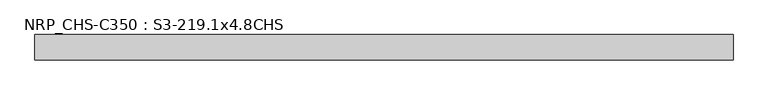
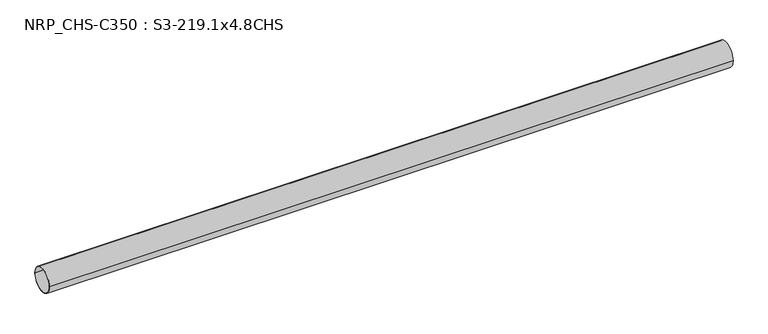
"""IFC4 building model written with IfcOpenShell, lengths in millimetres: beam geometry, NRP_CHS-C350 : S3-219.1x4.8CHS."""

from ifc_helpers import new_model, si_unit, point, frame, origin, origin_2d, place, context, project, spatial, circle_curve, trimmed, segment, composite_curve, outline, extrude, source, transform, mapped, element, save


def nrp_chs_c350_s3_219_1x4_8chs_5603bd57(model_context):
    return source(origin(), model_context, "Body", "SweptSolid", [
        extrude(outline(composite_curve([segment(trimmed(circle_curve(origin_2d(), 109.55), [point((109.55, 0.0))], [point((-109.55, 0.0))], False, "CARTESIAN"), True, "CONTINUOUS"), segment(trimmed(circle_curve(origin_2d(), 109.55), [point((-109.55, 0.0))], [point((109.55, 0.0))], False, "CARTESIAN"), True, "CONTINUOUS")], self_intersect=False), holes=[composite_curve([segment(trimmed(circle_curve(origin_2d(), 104.75), [point((-104.75, 0.0))], [point((104.75, 0.0))], True, "CARTESIAN"), True, "CONTINUOUS"), segment(trimmed(circle_curve(origin_2d(), 104.75), [point((104.75, 0.0))], [point((-104.75, 0.0))], True, "CARTESIAN"), True, "CONTINUOUS")], self_intersect=False)]), frame((-3021.65, 0.0, 0.0), z_axis=(1.0, 0.0, 0.0), x_axis=(0.0, 1.0, 0.0)), (0.0, 0.0, 1.0), 6020.3),
    ])


if __name__ == "__main__":
    model = new_model("IFC4")
    model_context = context("Model", 3, world=origin())
    ifc_project = project(units=[si_unit("LENGTHUNIT", "METRE", prefix="MILLI")], contexts=[model_context])
    site = spatial("IfcSite", under=ifc_project)
    building = spatial("IfcBuilding", under=site)
    placement = place(None, origin())
    nrp_chs_c350_s3_219_1x4_8chs_shape = nrp_chs_c350_s3_219_1x4_8chs_5603bd57(model_context)
    element("IfcBeam", 1, ObjectType="NRP_CHS-C350 : S3-219.1x4.8CHS", at=placement, inside=building, context=model_context, shape_type="MappedRepresentation", body=[
        mapped(nrp_chs_c350_s3_219_1x4_8chs_shape, transform((0.0, 0.0, 0.0), x_axis=(1.0, 0.0, 0.0), y_axis=(0.0, 1.0, 0.0), z_axis=(0.0, 0.0, 1.0))),
    ])
    save(model, "model.ifc")
